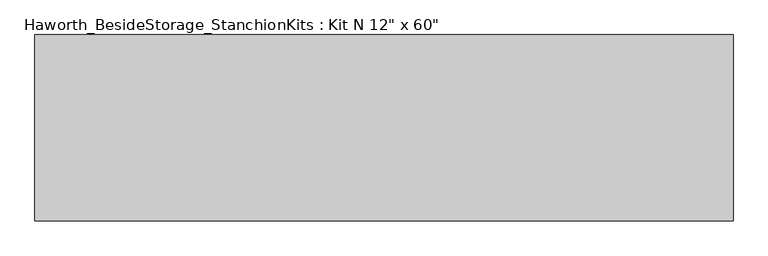
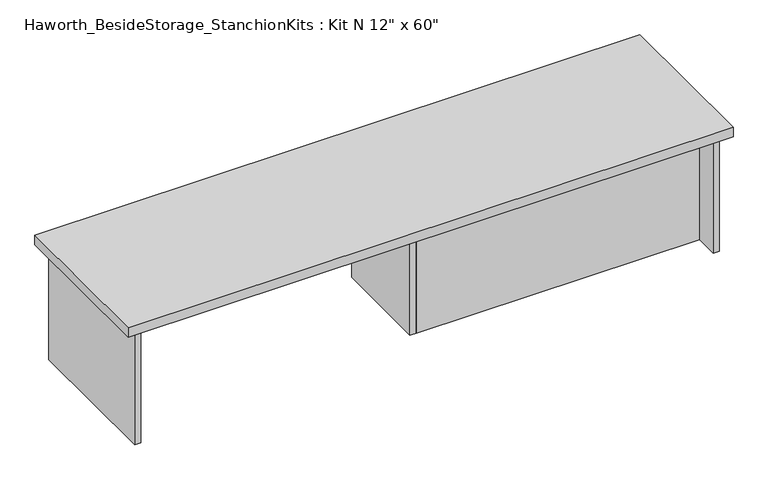
"""IFC4 building model written with IfcOpenShell, lengths in millimetres: furniture geometry."""

from ifc_helpers import new_model, si_unit, frame, origin, place, context, project, spatial, polyline, outline, extrude, source, transform, mapped, element, save


def furniture_c0d8bd3c(model_context):
    return source(origin(), model_context, "Body", "SweptSolid", [
        extrude(outline(polyline([(923.925, 0.0), (-600.075, 0.0), (-600.075, 406.4), (923.925, 406.4), (923.925, 0.0)])), frame((0.0, 0.0, 736.6), z_axis=(0.0, 0.0, 1.0), x_axis=(1.0, 0.0, 0.0)), (0.0, 0.0, 1.0), 25.4),
        extrude(outline(polyline([(169.8625, 76.2), (169.8625, 92.075), (882.65, 92.075), (882.65, 76.2), (169.8625, 76.2)])), frame((0.0, 0.0, 431.8), z_axis=(0.0, 0.0, 1.0), x_axis=(1.0, 0.0, 0.0)), (0.0, 0.0, 1.0), 304.8),
        extrude(outline(polyline([(169.8625, 330.2), (169.8625, 76.2), (153.9875, 76.2), (153.9875, 330.2), (169.8625, 330.2)])), frame((0.0, 0.0, 431.8), z_axis=(0.0, 0.0, 1.0), x_axis=(1.0, 0.0, 0.0)), (0.0, 0.0, 1.0), 304.8),
        extrude(outline(polyline([(898.525, 390.525), (898.525, 15.875), (882.65, 15.875), (882.65, 390.525), (898.525, 390.525)])), frame((0.0, 0.0, 431.8), z_axis=(0.0, 0.0, 1.0), x_axis=(1.0, 0.0, 0.0)), (0.0, 0.0, 1.0), 304.8),
        extrude(outline(polyline([(-558.8, 390.525), (-558.8, 15.875), (-574.675, 15.875), (-574.675, 390.525), (-558.8, 390.525)])), frame((0.0, 0.0, 431.8), z_axis=(0.0, 0.0, 1.0), x_axis=(1.0, 0.0, 0.0)), (0.0, 0.0, 1.0), 304.8),
    ])


if __name__ == "__main__":
    model = new_model("IFC4")
    model_context = context("Model", 3, world=origin())
    ifc_project = project(units=[si_unit("LENGTHUNIT", "METRE", prefix="MILLI")], contexts=[model_context])
    site = spatial("IfcSite", under=ifc_project)
    building = spatial("IfcBuilding", under=site)
    placement = place(None, origin())
    furniture_shape = furniture_c0d8bd3c(model_context)
    element("IfcFurniture", 1, ObjectType="Haworth_BesideStorage_StanchionKits : Kit N 12\" x 60\"", at=placement, inside=building, context=model_context, shape_type="MappedRepresentation", body=[
        mapped(furniture_shape, transform((0.0, 0.0, 0.0), x_axis=(1.0, 0.0, 0.0), y_axis=(0.0, 1.0, 0.0), z_axis=(0.0, 0.0, 1.0))),
    ])
    save(model, "model.ifc")
